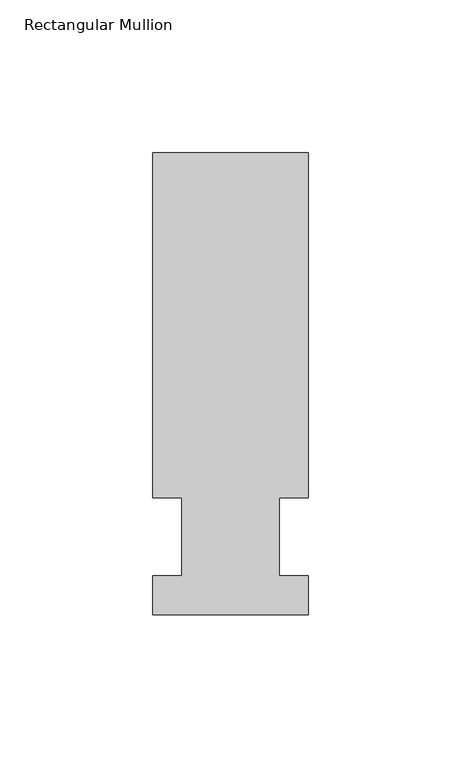
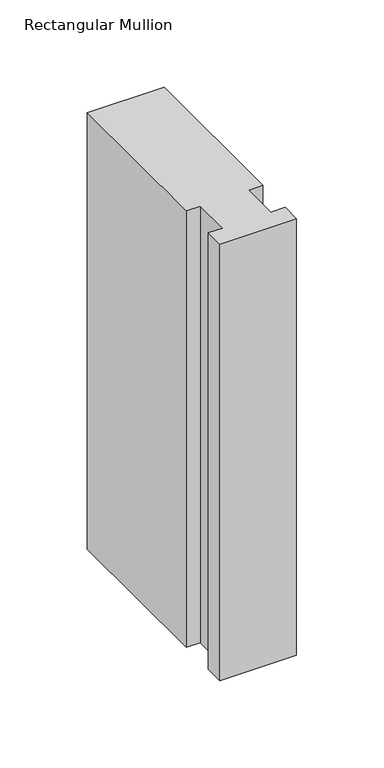
"""IFC4 building model written with IfcOpenShell, lengths in millimetres: member geometry, Rectangular Mullion."""

import ifcopenshell
import ifcopenshell.guid

model = None  # the IFC model being written
_history = None  # IfcOwnerHistory: only IFC2X3 demands one
_inside = {}  # id of a spatial element -> (the spatial element, [elements in it])
_under = {}  # id of a project, library or spatial element -> (it, [spatial elements below it])
_declared = {}  # id of a project -> (the project, [libraries it declares])
_typed = {}  # id of a type object -> (the type object, [elements of that type])
_made_of = {}  # id of a material, layer set ... -> (it, [elements and type objects made of it])


def new_model(schema):
    """Start an empty IFC model of exactly this schema.

    Asked for "IFC4X3", IfcOpenShell would pick the latest addendum, in which some entities
    have other attributes; the version numbers below select the first issue.
    IFC2X3 requires an IfcOwnerHistory on every rooted entity: one is made here for all.
    """
    global model, _history
    if schema == "IFC4X3":
        model = ifcopenshell.file(schema_version=(4, 3, 0, 0))
    else:
        model = ifcopenshell.file(schema=schema)
    _inside.clear()
    _under.clear()
    _declared.clear()
    _typed.clear()
    _made_of.clear()
    _history = None
    if model.schema == "IFC2X3":
        org = make("IfcOrganization", Name="unknown")
        user = make(
            "IfcPersonAndOrganization",
            ThePerson=make("IfcPerson", FamilyName="unknown"),
            TheOrganization=org,
        )
        app = make(
            "IfcApplication",
            ApplicationDeveloper=org,
            Version="unknown",
            ApplicationFullName="unknown",
            ApplicationIdentifier="unknown",
        )
        _history = make(
            "IfcOwnerHistory",
            OwningUser=user,
            OwningApplication=app,
            ChangeAction="ADDED",
            CreationDate=0,
        )
    return model


def make(cls, **values):
    """One entity of the class cls with the attributes given. An attribute that is None is left unset."""
    return model.create_entity(
        cls, **{name: value for name, value in values.items() if value is not None}
    )


def rooted(cls, **values):
    """An entity with a GlobalId (a new one), such as an element, a storey or a relation."""
    return make(cls, GlobalId=ifcopenshell.guid.new(), OwnerHistory=_history, **values)


def si_unit(unit_type, name, prefix=None):
    """IfcSIUnit, for example si_unit("LENGTHUNIT", "METRE", prefix="MILLI")."""
    return make("IfcSIUnit", UnitType=unit_type, Prefix=prefix, Name=name)


def assignment(units):
    """IfcUnitAssignment: the units of a project."""
    return None if units is None else make("IfcUnitAssignment", Units=units)


def point(xyz):
    """IfcCartesianPoint."""
    return None if xyz is None else make("IfcCartesianPoint", Coordinates=xyz)


def direction(xyz):
    """IfcDirection."""
    return None if xyz is None else make("IfcDirection", DirectionRatios=xyz)


def frame(location, z_axis=None, x_axis=None):
    """IfcAxis2Placement3D, a coordinate frame: its origin and axes. An axis left out is left unset."""
    return make(
        "IfcAxis2Placement3D",
        Location=point(location),
        Axis=direction(z_axis),
        RefDirection=direction(x_axis),
    )


def origin():
    """The frame at (0, 0, 0) with its axes left unset."""
    return frame((0.0, 0.0, 0.0))


def place(relative_to, where):
    """IfcLocalPlacement: puts the frame where relative to a parent placement (None: the world)."""
    return make(
        "IfcLocalPlacement", PlacementRelTo=relative_to, RelativePlacement=where
    )


def context(
    kind, dimensions, precision=None, world=None, true_north=None, identifier=None
):
    """IfcGeometricRepresentationContext, for example the 3D "Model" context."""
    return make(
        "IfcGeometricRepresentationContext",
        ContextIdentifier=identifier,
        ContextType=kind,
        CoordinateSpaceDimension=dimensions,
        Precision=precision,
        WorldCoordinateSystem=world,
        TrueNorth=true_north,
    )


def project(units=None, contexts=None):
    """IfcProject with its units and contexts."""
    return rooted(
        "IfcProject",
        Name="project",
        RepresentationContexts=contexts,
        UnitsInContext=assignment(units),
    )


def spatial(cls, under=None, at=None, **own):
    """A site, building, storey or space (cls), placed at a placement, below another one or the project."""
    s = rooted(cls, ObjectPlacement=at, **own)
    if under is not None:
        _under.setdefault(under.id(), (under, []))[1].append(s)
    return s


def polyline(points):
    """IfcPolyline through the points."""
    return make("IfcPolyline", Points=[point(p) for p in points])


def outline(outer, holes=None, kind="AREA"):
    """IfcArbitraryClosedProfileDef: a profile drawn as a closed curve; with holes, ...WithVoids."""
    if holes is None:
        return make("IfcArbitraryClosedProfileDef", ProfileType=kind, OuterCurve=outer)
    return make(
        "IfcArbitraryProfileDefWithVoids",
        ProfileType=kind,
        OuterCurve=outer,
        InnerCurves=holes,
    )


def extrude(swept, where, along, depth):
    """IfcExtrudedAreaSolid: the profile swept, set in the frame where, extruded along a direction by depth."""
    return make(
        "IfcExtrudedAreaSolid",
        SweptArea=swept,
        Position=where,
        ExtrudedDirection=direction(along),
        Depth=depth,
    )


def shape(context_of_items, identifier, shape_type, items):
    """IfcShapeRepresentation: the items that make up one representation, for example the "Body"."""
    return make(
        "IfcShapeRepresentation",
        ContextOfItems=context_of_items,
        RepresentationIdentifier=identifier,
        RepresentationType=shape_type,
        Items=items,
    )


def source(mapping_origin, context_of_items, identifier, shape_type, items):
    """IfcRepresentationMap: a shape defined once, which mapped items show again and again."""
    return make(
        "IfcRepresentationMap",
        MappingOrigin=mapping_origin,
        MappedRepresentation=shape(context_of_items, identifier, shape_type, items),
    )


def transform(
    local_origin,
    x_axis=None,
    y_axis=None,
    z_axis=None,
    scale=None,
    scale2=None,
    scale3=None,
    uniform=True,
):
    """IfcCartesianTransformationOperator3D, or its non-uniform kind. x_axis, y_axis, z_axis: its Axis1, 2, 3."""
    if uniform:
        return make(
            "IfcCartesianTransformationOperator3D",
            Axis1=direction(x_axis),
            Axis2=direction(y_axis),
            LocalOrigin=point(local_origin),
            Scale=scale,
            Axis3=direction(z_axis),
        )
    return make(
        "IfcCartesianTransformationOperator3DnonUniform",
        Axis1=direction(x_axis),
        Axis2=direction(y_axis),
        LocalOrigin=point(local_origin),
        Scale=scale,
        Axis3=direction(z_axis),
        Scale2=scale2,
        Scale3=scale3,
    )


def mapped(mapping_source, mapping_target):
    """IfcMappedItem: shows the shape of a source again, moved by a transform."""
    return make(
        "IfcMappedItem", MappingSource=mapping_source, MappingTarget=mapping_target
    )


def made_of(thing, what):
    """Note that an element or type object is made of a material, layer set ...; save() writes the relation."""
    if what is not None:
        _made_of.setdefault(what.id(), (what, []))[1].append(thing)
    return thing


def element(
    cls,
    number,
    at=None,
    inside=None,
    cuts=None,
    type_object=None,
    material=None,
    context=None,
    identifier="Body",
    shape_type=None,
    held_by="IfcProductDefinitionShape",
    body=None,
    shapes=None,
    **own,
):
    """One element of the class cls, such as IfcWall. Its Tag is "e" and its number.

    at: its placement. inside: the storey or other place that contains it. cuts: it is an
    opening in that element (IfcRelVoidsElement). A single representation is given by context,
    identifier, shape_type and body (its items); several are given by shapes. held_by: the class
    of the entity that holds the representations. save() writes the other relations.
    """
    e = rooted(cls, Tag="e%d" % number, ObjectPlacement=at, **own)
    if body is not None:
        shapes = [shape(context, identifier, shape_type, body)]
    if shapes is not None:
        e.Representation = make(held_by, Representations=shapes)
    if inside is not None:
        _inside.setdefault(inside.id(), (inside, []))[1].append(e)
    if cuts is not None:
        rooted(
            "IfcRelVoidsElement", RelatingBuildingElement=cuts, RelatedOpeningElement=e
        )
    if type_object is not None:
        _typed.setdefault(type_object.id(), (type_object, []))[1].append(e)
    return made_of(e, material)


def aggregate(whole, parts):
    """IfcRelAggregates: a whole, such as a stair, and the parts it consists of."""
    return rooted("IfcRelAggregates", RelatingObject=whole, RelatedObjects=parts)


def save(model, path):
    """Write the relations noted so far, then the file.

    IfcRelAggregates (storeys below a building ...), IfcRelContainedInSpatialStructure (elements
    in a storey), IfcRelDefinesByType, IfcRelAssociatesMaterial and IfcRelDeclares: one each for
    every whole, place, type object, material and project.
    """
    for whole, parts in _under.values():
        aggregate(whole, parts)
    for where, things in _inside.values():
        rooted(
            "IfcRelContainedInSpatialStructure",
            RelatedElements=things,
            RelatingStructure=where,
        )
    for kind, things in _typed.values():
        rooted("IfcRelDefinesByType", RelatedObjects=things, RelatingType=kind)
    for what, things in _made_of.values():
        rooted("IfcRelAssociatesMaterial", RelatedObjects=things, RelatingMaterial=what)
    for by, libraries in _declared.values():
        rooted("IfcRelDeclares", RelatingContext=by, RelatedDefinitions=libraries)
    model.write(path)


def rectangular_mullion_ef258423(model_context):
    return source(origin(), model_context, "Body", "SweptSolid", [
        extrude(outline(polyline([(-25.4, -25.58415), (-25.4, -12.7), (-15.875, -12.7), (-15.875, 12.7), (-25.4, 12.7), (-25.4, 125.59665), (25.4, 125.59665), (25.4, 12.7), (15.875, 12.7), (15.875, -12.7), (25.4, -12.7), (25.4, -25.58415), (-25.4, -25.58415)])), frame((0.0, 0.0, -304.8), z_axis=(0.0, 0.0, 1.0), x_axis=(1.0, 0.0, 0.0)), (0.0, 0.0, 1.0), 304.8),
    ])


if __name__ == "__main__":
    model = new_model("IFC4")
    model_context = context("Model", 3, world=origin())
    ifc_project = project(units=[si_unit("LENGTHUNIT", "METRE", prefix="MILLI")], contexts=[model_context])
    site = spatial("IfcSite", under=ifc_project)
    building = spatial("IfcBuilding", under=site)
    placement = place(None, origin())
    rectangular_mullion_shape = rectangular_mullion_ef258423(model_context)
    element("IfcMember", 1, ObjectType="Rectangular Mullion", at=placement, inside=building, context=model_context, shape_type="MappedRepresentation", body=[
        mapped(rectangular_mullion_shape, transform((0.0, 0.0, 0.0), x_axis=(1.0, 0.0, 0.0), y_axis=(0.0, 1.0, 0.0), z_axis=(0.0, 0.0, 1.0))),
    ])
    save(model, "model.ifc")
